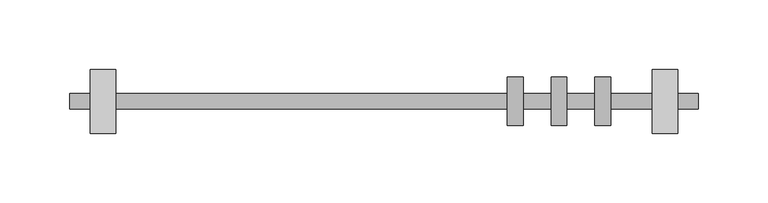
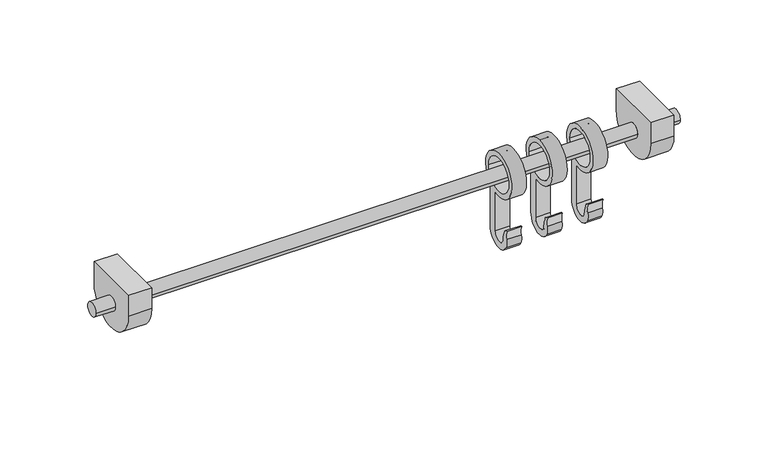
"""IFC4 building model written with IfcOpenShell, lengths in millimetres: furniture geometry."""

from ifc_helpers import new_model, si_unit, frame, origin, place, context, project, spatial, polyline, circle_curve, source, transform, mapped, element, save
from ifc_brep_helpers import plane_surface, cylinder_surface, revolved_surface, advanced_brep


def furniture_7b5a6ca2(model_context):
    return source(origin(), model_context, "Body", "AdvancedBrep", [
        advanced_brep(
        [(-225.8644697, -5.5, 0.0), (-225.8644697, 5.5, 0.0), (225.8644697, -5.5, 0.0), (225.8644697, 5.5, 0.0), (-210.8644697, -5.5, 0.0), (-210.8644697, 5.5, 0.0), (210.8644697, 5.5, 0.0), (210.8644697, -5.5, 0.0), (-192.8644697, 5.5, 0.0), (-192.8644697, -5.5, 0.0), (192.8644697, -5.5, 0.0), (192.8644697, 5.5, 0.0), (-210.8644697, 23.0, 20.0), (-210.8644697, 23.0, 2.9999609), (-210.8644697, -23.0, 2.9999609), (-210.8644697, -23.0, 20.0), (-192.8644697, 23.0, 20.0), (-192.8644697, -23.0, 20.0), (-192.8644697, -23.0, 2.9999609), (-192.8644697, 23.0, 2.9999609), (192.8644697, 23.0, 2.9999609), (192.8644697, -23.0, 2.9999609), (192.8644697, -23.0, 20.0), (192.8644697, 23.0, 20.0), (210.8644697, 23.0, 2.9999609), (210.8644697, 23.0, 20.0), (210.8644697, -23.0, 20.0), (210.8644697, -23.0, 2.9999609)],
        [
            (0, 1, circle_curve(frame((-225.8644697, 0.0, 0.0), z_axis=(-1.0, 0.0, 0.0), x_axis=(0.0, 1.0, 0.0)), 5.5)),
            (1, 0, circle_curve(frame((-225.8644697, 0.0, 0.0), z_axis=(-1.0, 0.0, 0.0), x_axis=(0.0, 1.0, 0.0)), 5.5)),
            (2, 3, circle_curve(frame((225.8644697, 0.0, 0.0), z_axis=(1.0, 0.0, 0.0), x_axis=(0.0, 1.0, 0.0)), 5.5)),
            (3, 2, circle_curve(frame((225.8644697, 0.0, 0.0), z_axis=(1.0, 0.0, 0.0), x_axis=(0.0, 1.0, 0.0)), 5.5)),
            (0, 4),
            (4, 5, circle_curve(frame((-210.8644697, 0.0, 0.0), z_axis=(-1.0, 0.0, 0.0), x_axis=(0.0, 1.0, 0.0)), 5.5)),
            (5, 1),
            (3, 6),
            (6, 7, circle_curve(frame((210.8644697, 0.0, 0.0), z_axis=(1.0, 0.0, 0.0), x_axis=(0.0, 1.0, 0.0)), 5.5)),
            (7, 2),
            (8, 9, circle_curve(frame((-192.8644697, 0.0, 0.0), z_axis=(1.0, 0.0, 0.0), x_axis=(0.0, 1.0, 0.0)), 5.5)),
            (9, 10),
            (10, 11, circle_curve(frame((192.8644697, 0.0, 0.0), z_axis=(-1.0, 0.0, 0.0), x_axis=(0.0, 1.0, 0.0)), 5.5)),
            (11, 8),
            (5, 4, circle_curve(frame((-210.8644697, 0.0, 0.0), z_axis=(-1.0, 0.0, 0.0), x_axis=(0.0, 1.0, 0.0)), 5.5)),
            (7, 6, circle_curve(frame((210.8644697, 0.0, 0.0), z_axis=(1.0, 0.0, 0.0), x_axis=(0.0, 1.0, 0.0)), 5.5)),
            (9, 8, circle_curve(frame((-192.8644697, 0.0, 0.0), z_axis=(1.0, 0.0, 0.0), x_axis=(0.0, 1.0, 0.0)), 5.5)),
            (11, 10, circle_curve(frame((192.8644697, 0.0, 0.0), z_axis=(-1.0, 0.0, 0.0), x_axis=(0.0, 1.0, 0.0)), 5.5)),
            (12, 13),
            (13, 14, circle_curve(frame((-210.8644697, 0.0, 2.9999609), z_axis=(-1.0, 0.0, 0.0), x_axis=(0.0, 1.0, 0.0)), 23.0)),
            (14, 15),
            (15, 12),
            (16, 17),
            (17, 18),
            (18, 19, circle_curve(frame((-192.8644697, 0.0, 2.9999609), z_axis=(1.0, 0.0, 0.0), x_axis=(0.0, 1.0, 0.0)), 23.0)),
            (19, 16),
            (12, 16),
            (19, 13),
            (18, 14),
            (17, 15),
            (20, 21, circle_curve(frame((192.8644697, 0.0, 2.9999609), z_axis=(-1.0, 0.0, 0.0), x_axis=(0.0, 1.0, 0.0)), 23.0)),
            (21, 22),
            (22, 23),
            (23, 20),
            (24, 25),
            (25, 26),
            (26, 27),
            (27, 24, circle_curve(frame((210.8644697, 0.0, 2.9999609), z_axis=(1.0, 0.0, 0.0), x_axis=(0.0, 1.0, 0.0)), 23.0)),
            (20, 24),
            (27, 21),
            (26, 22),
            (25, 23),
        ],
        [
            plane_surface(frame((-225.8644697, 0.0, 0.0), z_axis=(-1.0, 0.0, 0.0), x_axis=(0.0, 0.0, 1.0))),
            plane_surface(frame((225.8644697, 0.0, 0.0), z_axis=(1.0, 0.0, 0.0), x_axis=(0.0, 0.0, 1.0))),
            cylinder_surface(frame((-225.8644697, 0.0, 0.0), z_axis=(-1.0, 0.0, 0.0), x_axis=(0.0, 1.0, 0.0)), 5.5),
            plane_surface(frame((-210.8644697, 0.0, 0.0), z_axis=(-1.0, 0.0, 0.0), x_axis=(0.0, 0.0, 1.0))),
            plane_surface(frame((-192.8644697, 0.0, 0.0), z_axis=(1.0, 0.0, 0.0), x_axis=(0.0, 0.0, 1.0))),
            plane_surface(frame((-210.8644697, 23.0, 20.0), z_axis=(0.0, 1.0, 0.0), x_axis=(1.0, 0.0, 0.0))),
            cylinder_surface(frame((-210.8644697, 0.0, 2.9999609), z_axis=(-1.0, 0.0, 0.0), x_axis=(0.0, 1.0, 0.0)), 23.0),
            plane_surface(frame((-210.8644697, -23.0, 2.9999609), z_axis=(0.0, -1.0, 0.0), x_axis=(1.0, 0.0, 0.0))),
            plane_surface(frame((-210.8644697, -23.0, 20.0), z_axis=(0.0, 0.0, 1.0), x_axis=(1.0, 0.0, 0.0))),
            plane_surface(frame((192.8644697, 0.0, 0.0), z_axis=(-1.0, 0.0, 0.0), x_axis=(0.0, 0.0, 1.0))),
            plane_surface(frame((210.8644697, 0.0, 0.0), z_axis=(1.0, 0.0, 0.0), x_axis=(0.0, 0.0, 1.0))),
            cylinder_surface(frame((192.8644697, 0.0, 2.9999609), z_axis=(-1.0, 0.0, 0.0), x_axis=(0.0, 1.0, 0.0)), 23.0),
            plane_surface(frame((192.8644697, -23.0, 2.9999609), z_axis=(0.0, -1.0, 0.0), x_axis=(1.0, 0.0, 0.0))),
            plane_surface(frame((192.8644697, -23.0, 20.0), z_axis=(0.0, 0.0, 1.0), x_axis=(1.0, 0.0, 0.0))),
            plane_surface(frame((192.8644697, 23.0, 20.0), z_axis=(0.0, 1.0, 0.0), x_axis=(1.0, 0.0, 0.0))),
        ],
        [
            (0, [[1, 2]]),
            (1, [[3, 4]]),
            (2, [[-1, 5, 6, 7]]),
            (2, [[-4, 8, 9, 10]]),
            (2, [[11, 12, 13, 14]]),
            (2, [[-2, -7, 15, -5]]),
            (2, [[-3, -10, 16, -8]]),
            (2, [[17, -14, 18, -12]]),
            (3, [[19, 20, 21, 22], [-6, -15]]),
            (4, [[23, 24, 25, 26], [-11, -17]]),
            (5, [[-19, 27, -26, 28]]),
            (6, [[-20, -28, -25, 29]]),
            (7, [[-21, -29, -24, 30]]),
            (8, [[-22, -30, -23, -27]]),
            (9, [[31, 32, 33, 34], [-13, -18]]),
            (10, [[35, 36, 37, 38], [-9, -16]]),
            (11, [[-31, 39, -38, 40]]),
            (12, [[-32, -40, -37, 41]]),
            (13, [[-33, -41, -36, 42]]),
            (14, [[-34, -42, -35, -39]]),
        ],
    ),
        advanced_brep(
        [(151.4644697, 5.0, -16.7705098), (151.4644697, 11.2461486, -13.407988), (151.4644697, 11.2461486, -48.407988), (151.4644697, -9.7546011, -53.9231496), (151.4644697, -10.4997601, -46.7611952), (151.4644697, -11.2029784, -39.555855), (151.4644697, -7.6674445, -43.0913889), (151.4644697, -6.1486558, -48.8258661), (151.4644697, 5.0, -48.8258661), (151.4644697, -13.5, 0.0), (151.4644697, 13.5, 0.0), (162.8644697, 5.0, -16.7705098), (162.8644697, 5.0, -48.8258661), (162.8644697, -6.1486558, -48.8258661), (162.8644697, -7.6674445, -43.0913889), (162.8644697, -11.2029784, -39.555855), (162.8644697, -10.4997601, -46.7611952), (162.8644697, -9.7546011, -53.9231496), (162.8644697, 11.2461486, -48.407988), (162.8644697, 11.2461486, -13.407988), (162.8644697, -13.5, 0.0), (162.8644697, 13.5, 0.0)],
        [
            (0, 1, circle_curve(frame((151.4644697, 0.0, 0.0), z_axis=(-1.0, 0.0, 0.0), x_axis=(0.0, 1.0, 0.0)), 17.5)),
            (1, 2),
            (2, 3, circle_curve(frame((151.4644697, 0.0215851, -48.407988), z_axis=(-1.0, 0.0, 0.0), x_axis=(0.0, 1.0, 0.0)), 11.2245635)),
            (3, 4, circle_curve(frame((151.4644697, -1.8872793, -49.4848594), z_axis=(-1.0, 0.0, 0.0), x_axis=(0.0, 1.0, 0.0)), 9.032894)),
            (4, 5, circle_curve(frame((151.4644697, -19.2880832, -43.9819215), z_axis=(1.0, 0.0, 0.0), x_axis=(0.0, 1.0, 0.0)), 9.2173198)),
            (5, 6, circle_curve(frame((151.4644697, -11.2029784, -43.0913889), z_axis=(-1.0, 0.0, 0.0), x_axis=(0.0, 1.0, 0.0)), 3.5355339)),
            (6, 7, circle_curve(frame((151.4644697, -17.7338583, -48.8258661), z_axis=(-1.0, 0.0, 0.0), x_axis=(0.0, 1.0, 0.0)), 11.5852024)),
            (7, 8, circle_curve(frame((151.4644697, -0.5743279, -48.8258661), z_axis=(1.0, 0.0, 0.0), x_axis=(0.0, 1.0, 0.0)), 5.5743279)),
            (8, 0),
            (9, 10, circle_curve(frame((151.4644697, 0.0, 0.0), z_axis=(1.0, 0.0, 0.0), x_axis=(0.0, 1.0, 0.0)), 13.5)),
            (10, 9, circle_curve(frame((151.4644697, 0.0, 0.0), z_axis=(1.0, 0.0, 0.0), x_axis=(0.0, 1.0, 0.0)), 13.5)),
            (11, 12),
            (12, 13, circle_curve(frame((162.8644697, -0.5743279, -48.8258661), z_axis=(-1.0, 0.0, 0.0), x_axis=(0.0, 1.0, 0.0)), 5.5743279)),
            (13, 14, circle_curve(frame((162.8644697, -17.7338583, -48.8258661), z_axis=(1.0, 0.0, 0.0), x_axis=(0.0, 1.0, 0.0)), 11.5852024)),
            (14, 15, circle_curve(frame((162.8644697, -11.2029784, -43.0913889), z_axis=(1.0, 0.0, 0.0), x_axis=(0.0, 1.0, 0.0)), 3.5355339)),
            (15, 16, circle_curve(frame((162.8644697, -19.2880832, -43.9819215), z_axis=(-1.0, 0.0, 0.0), x_axis=(0.0, 1.0, 0.0)), 9.2173198)),
            (16, 17, circle_curve(frame((162.8644697, -1.8872793, -49.4848594), z_axis=(1.0, 0.0, 0.0), x_axis=(0.0, 1.0, 0.0)), 9.032894)),
            (17, 18, circle_curve(frame((162.8644697, 0.0215851, -48.407988), z_axis=(1.0, 0.0, 0.0), x_axis=(0.0, 1.0, 0.0)), 11.2245635)),
            (18, 19),
            (19, 11, circle_curve(frame((162.8644697, 0.0, 0.0), z_axis=(1.0, 0.0, 0.0), x_axis=(0.0, 1.0, 0.0)), 17.5)),
            (20, 21, circle_curve(frame((162.8644697, 0.0, 0.0), z_axis=(-1.0, 0.0, 0.0), x_axis=(0.0, 1.0, 0.0)), 13.5)),
            (21, 20, circle_curve(frame((162.8644697, 0.0, 0.0), z_axis=(-1.0, 0.0, 0.0), x_axis=(0.0, 1.0, 0.0)), 13.5)),
            (9, 20),
            (21, 10),
            (0, 11),
            (19, 1),
            (18, 2),
            (17, 3),
            (16, 4),
            (15, 5),
            (14, 6),
            (13, 7),
            (12, 8),
        ],
        [
            plane_surface(frame((151.4644697, 0.0, 0.0), z_axis=(-1.0, 0.0, 0.0), x_axis=(0.0, 0.0, 1.0))),
            plane_surface(frame((162.8644697, 0.0, 0.0), z_axis=(1.0, 0.0, 0.0), x_axis=(0.0, 0.0, 1.0))),
            revolved_surface(polyline([(162.8644697, 13.5, 0.0), (151.4644697, 13.5, 0.0)]), (151.4644697, 0.0, 0.0), (1.0, 0.0, 0.0)),
            cylinder_surface(frame((151.4644697, 0.0, 0.0), z_axis=(-1.0, 0.0, 0.0), x_axis=(0.0, 1.0, 0.0)), 17.5),
            plane_surface(frame((151.4644697, 11.2461486, -13.407988), z_axis=(0.0, 1.0, 0.0), x_axis=(1.0, 0.0, 0.0))),
            cylinder_surface(frame((151.4644697, 0.0215851, -48.407988), z_axis=(-1.0, 0.0, 0.0), x_axis=(0.0, 1.0, 0.0)), 11.2245635),
            cylinder_surface(frame((151.4644697, -1.8872793, -49.4848594), z_axis=(-1.0, 0.0, 0.0), x_axis=(0.0, 1.0, 0.0)), 9.032894),
            revolved_surface(polyline([(162.8644697, -10.070763399999999, -43.9819215), (151.4644697, -10.070763399999999, -43.9819215)]), (151.4644697, -19.2880832, -43.9819215), (1.0, 0.0, 0.0)),
            cylinder_surface(frame((151.4644697, -11.2029784, -43.0913889), z_axis=(-1.0, 0.0, 0.0), x_axis=(0.0, 1.0, 0.0)), 3.5355339),
            cylinder_surface(frame((151.4644697, -17.7338583, -48.8258661), z_axis=(-1.0, 0.0, 0.0), x_axis=(0.0, 1.0, 0.0)), 11.5852024),
            revolved_surface(polyline([(162.8644697, 5.0, -48.8258661), (151.4644697, 5.0, -48.8258661)]), (151.4644697, -0.5743279, -48.8258661), (1.0, 0.0, 0.0)),
            plane_surface(frame((151.4644697, 5.0, -48.8258661), z_axis=(0.0, -1.0, 0.0), x_axis=(1.0, 0.0, 0.0))),
        ],
        [
            (0, [[1, 2, 3, 4, 5, 6, 7, 8, 9], [10, 11]]),
            (1, [[12, 13, 14, 15, 16, 17, 18, 19, 20], [21, 22]]),
            (2, [[-10, 23, -22, 24]]),
            (2, [[-11, -24, -21, -23]]),
            (3, [[-1, 25, -20, 26]]),
            (4, [[-2, -26, -19, 27]]),
            (5, [[-3, -27, -18, 28]]),
            (6, [[-4, -28, -17, 29]]),
            (7, [[-5, -29, -16, 30]]),
            (8, [[-6, -30, -15, 31]]),
            (9, [[-7, -31, -14, 32]]),
            (10, [[-8, -32, -13, 33]]),
            (11, [[-9, -33, -12, -25]]),
        ],
    ),
        advanced_brep(
        [(120.0644697, 5.0, -16.7705098), (120.0644697, 11.2461486, -13.407988), (120.0644697, 11.2461486, -48.407988), (120.0644697, -9.7546011, -53.9231496), (120.0644697, -10.4997601, -46.7611952), (120.0644697, -11.2029784, -39.555855), (120.0644697, -7.6674445, -43.0913889), (120.0644697, -6.1486558, -48.8258661), (120.0644697, 5.0, -48.8258661), (120.0644697, -13.5, 0.0), (120.0644697, 13.5, 0.0), (131.4644697, 5.0, -16.7705098), (131.4644697, 5.0, -48.8258661), (131.4644697, -6.1486558, -48.8258661), (131.4644697, -7.6674445, -43.0913889), (131.4644697, -11.2029784, -39.555855), (131.4644697, -10.4997601, -46.7611952), (131.4644697, -9.7546011, -53.9231496), (131.4644697, 11.2461486, -48.407988), (131.4644697, 11.2461486, -13.407988), (131.4644697, -13.5, 0.0), (131.4644697, 13.5, 0.0)],
        [
            (0, 1, circle_curve(frame((120.0644697, 0.0, 0.0), z_axis=(-1.0, 0.0, 0.0), x_axis=(0.0, 1.0, 0.0)), 17.5)),
            (1, 2),
            (2, 3, circle_curve(frame((120.0644697, 0.0215851, -48.407988), z_axis=(-1.0, 0.0, 0.0), x_axis=(0.0, 1.0, 0.0)), 11.2245635)),
            (3, 4, circle_curve(frame((120.0644697, -1.8872793, -49.4848594), z_axis=(-1.0, 0.0, 0.0), x_axis=(0.0, 1.0, 0.0)), 9.032894)),
            (4, 5, circle_curve(frame((120.0644697, -19.2880832, -43.9819215), z_axis=(1.0, 0.0, 0.0), x_axis=(0.0, 1.0, 0.0)), 9.2173198)),
            (5, 6, circle_curve(frame((120.0644697, -11.2029784, -43.0913889), z_axis=(-1.0, 0.0, 0.0), x_axis=(0.0, 1.0, 0.0)), 3.5355339)),
            (6, 7, circle_curve(frame((120.0644697, -17.7338583, -48.8258661), z_axis=(-1.0, 0.0, 0.0), x_axis=(0.0, 1.0, 0.0)), 11.5852024)),
            (7, 8, circle_curve(frame((120.0644697, -0.5743279, -48.8258661), z_axis=(1.0, 0.0, 0.0), x_axis=(0.0, 1.0, 0.0)), 5.5743279)),
            (8, 0),
            (9, 10, circle_curve(frame((120.0644697, 0.0, 0.0), z_axis=(1.0, 0.0, 0.0), x_axis=(0.0, 1.0, 0.0)), 13.5)),
            (10, 9, circle_curve(frame((120.0644697, 0.0, 0.0), z_axis=(1.0, 0.0, 0.0), x_axis=(0.0, 1.0, 0.0)), 13.5)),
            (11, 12),
            (12, 13, circle_curve(frame((131.4644697, -0.5743279, -48.8258661), z_axis=(-1.0, 0.0, 0.0), x_axis=(0.0, 1.0, 0.0)), 5.5743279)),
            (13, 14, circle_curve(frame((131.4644697, -17.7338583, -48.8258661), z_axis=(1.0, 0.0, 0.0), x_axis=(0.0, 1.0, 0.0)), 11.5852024)),
            (14, 15, circle_curve(frame((131.4644697, -11.2029784, -43.0913889), z_axis=(1.0, 0.0, 0.0), x_axis=(0.0, 1.0, 0.0)), 3.5355339)),
            (15, 16, circle_curve(frame((131.4644697, -19.2880832, -43.9819215), z_axis=(-1.0, 0.0, 0.0), x_axis=(0.0, 1.0, 0.0)), 9.2173198)),
            (16, 17, circle_curve(frame((131.4644697, -1.8872793, -49.4848594), z_axis=(1.0, 0.0, 0.0), x_axis=(0.0, 1.0, 0.0)), 9.032894)),
            (17, 18, circle_curve(frame((131.4644697, 0.0215851, -48.407988), z_axis=(1.0, 0.0, 0.0), x_axis=(0.0, 1.0, 0.0)), 11.2245635)),
            (18, 19),
            (19, 11, circle_curve(frame((131.4644697, 0.0, 0.0), z_axis=(1.0, 0.0, 0.0), x_axis=(0.0, 1.0, 0.0)), 17.5)),
            (20, 21, circle_curve(frame((131.4644697, 0.0, 0.0), z_axis=(-1.0, 0.0, 0.0), x_axis=(0.0, 1.0, 0.0)), 13.5)),
            (21, 20, circle_curve(frame((131.4644697, 0.0, 0.0), z_axis=(-1.0, 0.0, 0.0), x_axis=(0.0, 1.0, 0.0)), 13.5)),
            (9, 20),
            (21, 10),
            (0, 11),
            (19, 1),
            (18, 2),
            (17, 3),
            (16, 4),
            (15, 5),
            (14, 6),
            (13, 7),
            (12, 8),
        ],
        [
            plane_surface(frame((120.0644697, 0.0, 0.0), z_axis=(-1.0, 0.0, 0.0), x_axis=(0.0, 0.0, 1.0))),
            plane_surface(frame((131.4644697, 0.0, 0.0), z_axis=(1.0, 0.0, 0.0), x_axis=(0.0, 0.0, 1.0))),
            revolved_surface(polyline([(131.4644697, 13.5, 0.0), (120.0644697, 13.5, 0.0)]), (120.0644697, 0.0, 0.0), (1.0, 0.0, 0.0)),
            cylinder_surface(frame((120.0644697, 0.0, 0.0), z_axis=(-1.0, 0.0, 0.0), x_axis=(0.0, 1.0, 0.0)), 17.5),
            plane_surface(frame((120.0644697, 11.2461486, -13.407988), z_axis=(0.0, 1.0, 0.0), x_axis=(1.0, 0.0, 0.0))),
            cylinder_surface(frame((120.0644697, 0.0215851, -48.407988), z_axis=(-1.0, 0.0, 0.0), x_axis=(0.0, 1.0, 0.0)), 11.2245635),
            cylinder_surface(frame((120.0644697, -1.8872793, -49.4848594), z_axis=(-1.0, 0.0, 0.0), x_axis=(0.0, 1.0, 0.0)), 9.032894),
            revolved_surface(polyline([(131.4644697, -10.070763399999999, -43.9819215), (120.0644697, -10.070763399999999, -43.9819215)]), (120.0644697, -19.2880832, -43.9819215), (1.0, 0.0, 0.0)),
            cylinder_surface(frame((120.0644697, -11.2029784, -43.0913889), z_axis=(-1.0, 0.0, 0.0), x_axis=(0.0, 1.0, 0.0)), 3.5355339),
            cylinder_surface(frame((120.0644697, -17.7338583, -48.8258661), z_axis=(-1.0, 0.0, 0.0), x_axis=(0.0, 1.0, 0.0)), 11.5852024),
            revolved_surface(polyline([(131.4644697, 5.0, -48.8258661), (120.0644697, 5.0, -48.8258661)]), (120.0644697, -0.5743279, -48.8258661), (1.0, 0.0, 0.0)),
            plane_surface(frame((120.0644697, 5.0, -48.8258661), z_axis=(0.0, -1.0, 0.0), x_axis=(1.0, 0.0, 0.0))),
        ],
        [
            (0, [[1, 2, 3, 4, 5, 6, 7, 8, 9], [10, 11]]),
            (1, [[12, 13, 14, 15, 16, 17, 18, 19, 20], [21, 22]]),
            (2, [[-10, 23, -22, 24]]),
            (2, [[-11, -24, -21, -23]]),
            (3, [[-1, 25, -20, 26]]),
            (4, [[-2, -26, -19, 27]]),
            (5, [[-3, -27, -18, 28]]),
            (6, [[-4, -28, -17, 29]]),
            (7, [[-5, -29, -16, 30]]),
            (8, [[-6, -30, -15, 31]]),
            (9, [[-7, -31, -14, 32]]),
            (10, [[-8, -32, -13, 33]]),
            (11, [[-9, -33, -12, -25]]),
        ],
    ),
        advanced_brep(
        [(88.6644697, 5.0, -16.7705098), (88.6644697, 11.2461486, -13.407988), (88.6644697, 11.2461486, -48.407988), (88.6644697, -9.7546011, -53.9231496), (88.6644697, -10.4997601, -46.7611952), (88.6644697, -11.2029784, -39.555855), (88.6644697, -7.6674445, -43.0913889), (88.6644697, -6.1486558, -48.8258661), (88.6644697, 5.0, -48.8258661), (88.6644697, -13.5, 0.0), (88.6644697, 13.5, 0.0), (100.0644697, 5.0, -16.7705098), (100.0644697, 5.0, -48.8258661), (100.0644697, -6.1486558, -48.8258661), (100.0644697, -7.6674445, -43.0913889), (100.0644697, -11.2029784, -39.555855), (100.0644697, -10.4997601, -46.7611952), (100.0644697, -9.7546011, -53.9231496), (100.0644697, 11.2461486, -48.407988), (100.0644697, 11.2461486, -13.407988), (100.0644697, -13.5, 0.0), (100.0644697, 13.5, 0.0)],
        [
            (0, 1, circle_curve(frame((88.6644697, 0.0, 0.0), z_axis=(-1.0, 0.0, 0.0), x_axis=(0.0, 1.0, 0.0)), 17.5)),
            (1, 2),
            (2, 3, circle_curve(frame((88.6644697, 0.0215851, -48.407988), z_axis=(-1.0, 0.0, 0.0), x_axis=(0.0, 1.0, 0.0)), 11.2245635)),
            (3, 4, circle_curve(frame((88.6644697, -1.8872793, -49.4848594), z_axis=(-1.0, 0.0, 0.0), x_axis=(0.0, 1.0, 0.0)), 9.032894)),
            (4, 5, circle_curve(frame((88.6644697, -19.2880832, -43.9819215), z_axis=(1.0, 0.0, 0.0), x_axis=(0.0, 1.0, 0.0)), 9.2173198)),
            (5, 6, circle_curve(frame((88.6644697, -11.2029784, -43.0913889), z_axis=(-1.0, 0.0, 0.0), x_axis=(0.0, 1.0, 0.0)), 3.5355339)),
            (6, 7, circle_curve(frame((88.6644697, -17.7338583, -48.8258661), z_axis=(-1.0, 0.0, 0.0), x_axis=(0.0, 1.0, 0.0)), 11.5852024)),
            (7, 8, circle_curve(frame((88.6644697, -0.5743279, -48.8258661), z_axis=(1.0, 0.0, 0.0), x_axis=(0.0, 1.0, 0.0)), 5.5743279)),
            (8, 0),
            (9, 10, circle_curve(frame((88.6644697, 0.0, 0.0), z_axis=(1.0, 0.0, 0.0), x_axis=(0.0, 1.0, 0.0)), 13.5)),
            (10, 9, circle_curve(frame((88.6644697, 0.0, 0.0), z_axis=(1.0, 0.0, 0.0), x_axis=(0.0, 1.0, 0.0)), 13.5)),
            (11, 12),
            (12, 13, circle_curve(frame((100.0644697, -0.5743279, -48.8258661), z_axis=(-1.0, 0.0, 0.0), x_axis=(0.0, 1.0, 0.0)), 5.5743279)),
            (13, 14, circle_curve(frame((100.0644697, -17.7338583, -48.8258661), z_axis=(1.0, 0.0, 0.0), x_axis=(0.0, 1.0, 0.0)), 11.5852024)),
            (14, 15, circle_curve(frame((100.0644697, -11.2029784, -43.0913889), z_axis=(1.0, 0.0, 0.0), x_axis=(0.0, 1.0, 0.0)), 3.5355339)),
            (15, 16, circle_curve(frame((100.0644697, -19.2880832, -43.9819215), z_axis=(-1.0, 0.0, 0.0), x_axis=(0.0, 1.0, 0.0)), 9.2173198)),
            (16, 17, circle_curve(frame((100.0644697, -1.8872793, -49.4848594), z_axis=(1.0, 0.0, 0.0), x_axis=(0.0, 1.0, 0.0)), 9.032894)),
            (17, 18, circle_curve(frame((100.0644697, 0.0215851, -48.407988), z_axis=(1.0, 0.0, 0.0), x_axis=(0.0, 1.0, 0.0)), 11.2245635)),
            (18, 19),
            (19, 11, circle_curve(frame((100.0644697, 0.0, 0.0), z_axis=(1.0, 0.0, 0.0), x_axis=(0.0, 1.0, 0.0)), 17.5)),
            (20, 21, circle_curve(frame((100.0644697, 0.0, 0.0), z_axis=(-1.0, 0.0, 0.0), x_axis=(0.0, 1.0, 0.0)), 13.5)),
            (21, 20, circle_curve(frame((100.0644697, 0.0, 0.0), z_axis=(-1.0, 0.0, 0.0), x_axis=(0.0, 1.0, 0.0)), 13.5)),
            (9, 20),
            (21, 10),
            (0, 11),
            (19, 1),
            (18, 2),
            (17, 3),
            (16, 4),
            (15, 5),
            (14, 6),
            (13, 7),
            (12, 8),
        ],
        [
            plane_surface(frame((88.6644697, 0.0, 0.0), z_axis=(-1.0, 0.0, 0.0), x_axis=(0.0, 0.0, 1.0))),
            plane_surface(frame((100.0644697, 0.0, 0.0), z_axis=(1.0, 0.0, 0.0), x_axis=(0.0, 0.0, 1.0))),
            revolved_surface(polyline([(100.0644697, 13.5, 0.0), (88.6644697, 13.5, 0.0)]), (88.6644697, 0.0, 0.0), (1.0, 0.0, 0.0)),
            cylinder_surface(frame((88.6644697, 0.0, 0.0), z_axis=(-1.0, 0.0, 0.0), x_axis=(0.0, 1.0, 0.0)), 17.5),
            plane_surface(frame((88.6644697, 11.2461486, -13.407988), z_axis=(0.0, 1.0, 0.0), x_axis=(1.0, 0.0, 0.0))),
            cylinder_surface(frame((88.6644697, 0.0215851, -48.407988), z_axis=(-1.0, 0.0, 0.0), x_axis=(0.0, 1.0, 0.0)), 11.2245635),
            cylinder_surface(frame((88.6644697, -1.8872793, -49.4848594), z_axis=(-1.0, 0.0, 0.0), x_axis=(0.0, 1.0, 0.0)), 9.032894),
            revolved_surface(polyline([(100.0644697, -10.070763399999999, -43.9819215), (88.6644697, -10.070763399999999, -43.9819215)]), (88.6644697, -19.2880832, -43.9819215), (1.0, 0.0, 0.0)),
            cylinder_surface(frame((88.6644697, -11.2029784, -43.0913889), z_axis=(-1.0, 0.0, 0.0), x_axis=(0.0, 1.0, 0.0)), 3.5355339),
            cylinder_surface(frame((88.6644697, -17.7338583, -48.8258661), z_axis=(-1.0, 0.0, 0.0), x_axis=(0.0, 1.0, 0.0)), 11.5852024),
            revolved_surface(polyline([(100.0644697, 5.0, -48.8258661), (88.6644697, 5.0, -48.8258661)]), (88.6644697, -0.5743279, -48.8258661), (1.0, 0.0, 0.0)),
            plane_surface(frame((88.6644697, 5.0, -48.8258661), z_axis=(0.0, -1.0, 0.0), x_axis=(1.0, 0.0, 0.0))),
        ],
        [
            (0, [[1, 2, 3, 4, 5, 6, 7, 8, 9], [10, 11]]),
            (1, [[12, 13, 14, 15, 16, 17, 18, 19, 20], [21, 22]]),
            (2, [[-10, 23, -22, 24]]),
            (2, [[-11, -24, -21, -23]]),
            (3, [[-1, 25, -20, 26]]),
            (4, [[-2, -26, -19, 27]]),
            (5, [[-3, -27, -18, 28]]),
            (6, [[-4, -28, -17, 29]]),
            (7, [[-5, -29, -16, 30]]),
            (8, [[-6, -30, -15, 31]]),
            (9, [[-7, -31, -14, 32]]),
            (10, [[-8, -32, -13, 33]]),
            (11, [[-9, -33, -12, -25]]),
        ],
    ),
    ])


if __name__ == "__main__":
    model = new_model("IFC4")
    model_context = context("Model", 3, world=origin())
    ifc_project = project(units=[si_unit("LENGTHUNIT", "METRE", prefix="MILLI")], contexts=[model_context])
    site = spatial("IfcSite", under=ifc_project)
    building = spatial("IfcBuilding", under=site)
    placement = place(None, origin())
    furniture_shape = furniture_7b5a6ca2(model_context)
    element("IfcFurniture", 1, at=placement, inside=building, context=model_context, shape_type="MappedRepresentation", body=[
        mapped(furniture_shape, transform((0.0, 0.0, 0.0), x_axis=(1.0, 0.0, 0.0), y_axis=(0.0, 1.0, 0.0), z_axis=(0.0, 0.0, 1.0))),
    ])
    save(model, "model.ifc")
